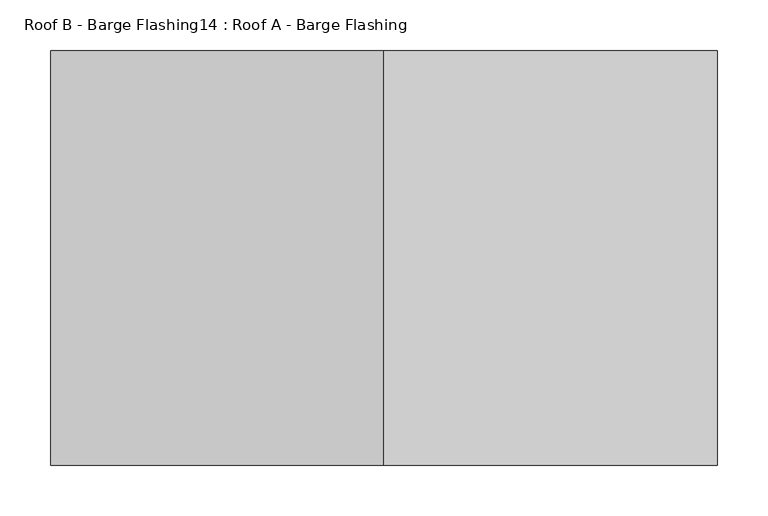
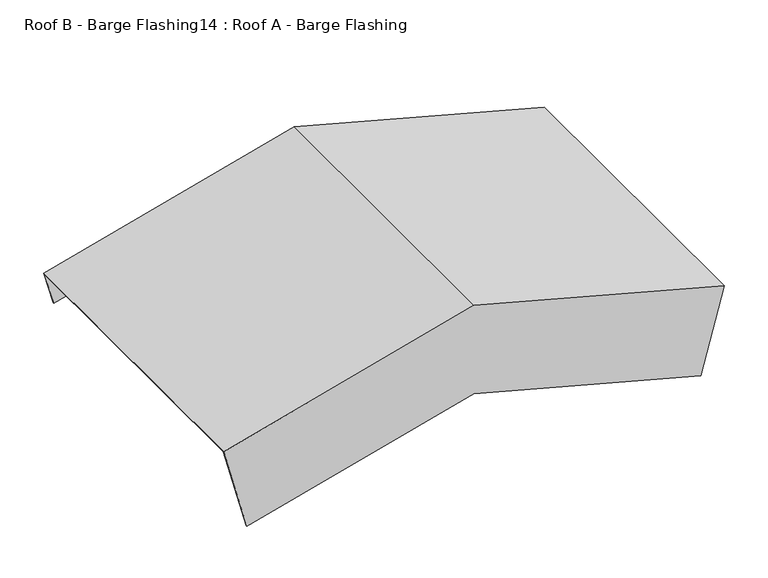
"""IFC4 building model written with IfcOpenShell, lengths in millimetres: proxy geometry, Roof B - Barge Flashing14 : Roof A - Barge Flashing."""

from ifc_helpers import new_model, si_unit, origin, place, context, project, spatial, faceted_brep, source, transform, mapped, element, save


def roof_b_barge_flashing14_roof_a_barge_flashing_b172378e(model_context):
    return source(origin(), model_context, "Body", "Brep", [
        faceted_brep([(22779.5315665, -24212.6573554, 4154.0728273), (22767.4964809, -24212.6573554, 4109.1572764), (22767.4964809, -24211.6573554, 4109.1572764), (22779.7903855, -24211.6573554, 4155.0387531), (22779.7903855, -24621.7919692, 4155.0387531), (22749.0556239, -24621.7919692, 4040.3350613), (22749.0556239, -24620.7919692, 4040.3350613), (22779.5315665, -24620.7919692, 4154.0728273), (22450.078983, -24212.6573554, 4242.349381), (22120.6263996, -24212.6573554, 4154.0728273), (22132.6614852, -24212.6573554, 4109.1572764), (22450.078983, -24212.6573554, 4194.2090386), (22450.078983, -24211.6573554, 4194.2090386), (22132.6614852, -24211.6573554, 4109.1572764), (22120.3675805, -24211.6573554, 4155.0387531), (22450.078983, -24211.6573554, 4243.3846572), (22450.078983, -24621.7919692, 4243.3846572), (22120.3675805, -24621.7919692, 4155.0387531), (22151.1023421, -24621.7919692, 4040.3350613), (22450.078983, -24621.7919692, 4120.4456108), (22450.078983, -24620.7919692, 4120.4456108), (22151.1023421, -24620.7919692, 4040.3350613), (22120.6263996, -24620.7919692, 4154.0728273), (22450.078983, -24620.7919692, 4242.349381)], [[[0, 1, 2, 3, 4, 5, 6, 7]], [[1, 0, 8, 9, 10, 11]], [[2, 1, 11, 12]], [[3, 2, 12, 13, 14, 15]], [[4, 3, 15, 16]], [[5, 4, 16, 17, 18, 19]], [[7, 6, 20, 21, 22, 23]], [[0, 7, 23, 8]], [[9, 22, 21, 18, 17, 14, 13, 10]], [[12, 11, 10, 13]], [[16, 15, 14, 17]], [[8, 23, 22, 9]], [[6, 5, 19, 20]], [[20, 19, 18, 21]]]),
    ])


if __name__ == "__main__":
    model = new_model("IFC4")
    model_context = context("Model", 3, world=origin())
    ifc_project = project(units=[si_unit("LENGTHUNIT", "METRE", prefix="MILLI")], contexts=[model_context])
    site = spatial("IfcSite", under=ifc_project)
    building = spatial("IfcBuilding", under=site)
    placement = place(None, origin())
    roof_b_barge_flashing14_roof_a_barge_flashing_shape = roof_b_barge_flashing14_roof_a_barge_flashing_b172378e(model_context)
    element("IfcBuildingElementProxy", 1, Name="Roof B - Barge Flashing14 : Roof A - Barge Flashing", ObjectType="Roof B - Barge Flashing14 : Roof A - Barge Flashing", at=placement, inside=building, context=model_context, shape_type="MappedRepresentation", body=[
        mapped(roof_b_barge_flashing14_roof_a_barge_flashing_shape, transform((0.0, 0.0, 0.0), x_axis=(1.0, 0.0, 0.0), y_axis=(0.0, 1.0, 0.0), z_axis=(0.0, 0.0, 1.0))),
    ])
    save(model, "model.ifc")
